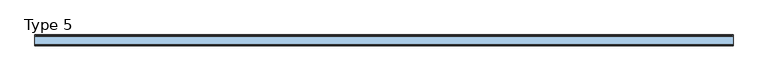
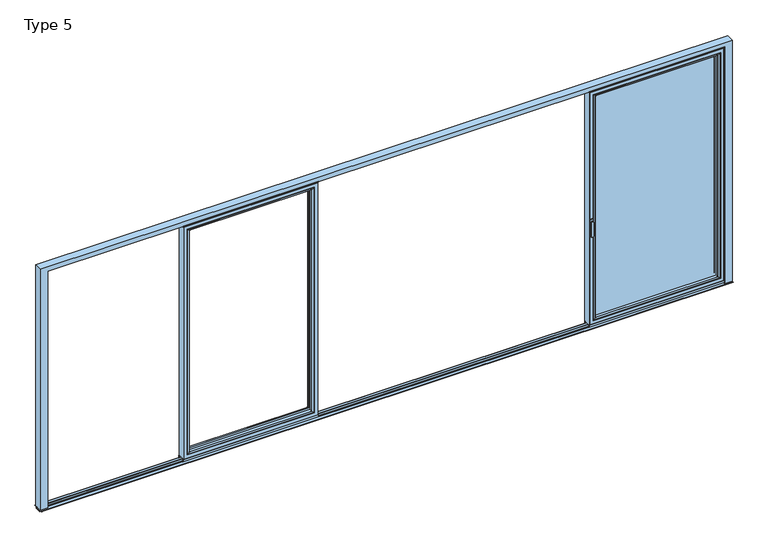
"""IFC4 building model written with IfcOpenShell, lengths in millimetres: window geometry, Type 5."""

from ifc_helpers import new_model, si_unit, point, frame, frame_2d, origin, place, context, project, spatial, polyline, circle_curve, ellipse_curve, trimmed, segment, composite_curve, outline, extrude, source, transform, mapped, element, save
from ifc_brep_helpers import plane_surface, cylinder_surface, extruded_surface, advanced_brep


def type_5_8c5b0dd2(model_context):
    return source(origin(), model_context, "Body", "SolidModel", [
        advanced_brep(
        [(-1841.2804272, -64.5552044, 2283.0004272), (-1841.2804272, -64.5552044, 91.4995728), (-1841.2804272, -37.9928974, 91.4995728), (-1841.2804272, -37.9928974, 2283.0004272), (-1863.28, -37.9928974, 2305.0), (-671.76, -37.9928974, 2305.0), (-671.76, -37.9928974, 69.5), (-1863.28, -37.9928974, 69.5), (-693.7595728, -37.9928974, 2283.0004272), (-693.7595728, -37.9928974, 91.4995728), (-693.7595728, -64.5552044, 91.4995728), (-1841.9899707, -65.8045072, 2283.7099707), (-1841.9899707, -65.8045072, 90.7900293), (-693.0500293, -65.8045072, 90.7900293), (-1857.280061, -70.0, 2299.000061), (-1857.280061, -70.0, 75.499939), (-677.759939, -70.0, 75.499939), (-671.76, -70.0, 2305.0), (-1863.28, -70.0, 2305.0), (-1863.28, -70.0, 69.5), (-671.76, -70.0, 69.5), (-677.759939, -70.0, 2299.000061), (-693.7595728, -64.5552044, 2283.0004272), (-693.0500293, -65.8045072, 2283.7099707)],
        [
            (0, 1),
            (1, 2),
            (2, 3),
            (3, 0),
            (4, 5),
            (5, 6),
            (6, 7),
            (7, 4),
            (8, 3),
            (2, 9),
            (9, 8),
            (1, 10),
            (10, 9),
            (11, 12),
            (12, 1, ellipse_curve(frame((-1842.7350312, -64.5552044, 90.0449688), z_axis=(-0.7071067811865475, 0.0, 0.7071067811865475), x_axis=(0.7071067811865474, 0.0, 0.7071067811865476)), 2.0571207, 1.454604)),
            (0, 11, ellipse_curve(frame((-1842.7350312, -64.5552044, 2284.4550312), z_axis=(-0.7071067811865475, 0.0, -0.7071067811865475), x_axis=(-0.7071067811865474, 0.0, 0.7071067811865476)), 2.0571207, 1.454604)),
            (12, 13),
            (13, 10, ellipse_curve(frame((-692.3049688, -64.5552044, 90.0449688), z_axis=(-0.7071067811865475, 0.0, -0.7071067811865475), x_axis=(-0.7071067811865476, 0.0, 0.7071067811865474)), 2.0571207, 1.454604)),
            (14, 15),
            (15, 12, ellipse_curve(frame((-1857.2161254, -40.2735922, 75.5638746), z_axis=(-0.7071067811865475, 0.0, 0.7071067811865475), x_axis=(0.7071067811865474, 0.0, 0.7071067811865476)), 42.0395863, 29.7264765)),
            (11, 14, ellipse_curve(frame((-1857.2161254, -40.2735922, 2298.9361254), z_axis=(-0.7071067811865475, 0.0, -0.7071067811865475), x_axis=(-0.7071067811865474, 0.0, 0.7071067811865476)), 42.0395863, 29.7264765)),
            (15, 16),
            (16, 13, ellipse_curve(frame((-677.8238746, -40.2735922, 75.5638746), z_axis=(-0.7071067811865475, 0.0, -0.7071067811865475), x_axis=(-0.7071067811865476, 0.0, 0.7071067811865474)), 42.0395863, 29.7264765)),
            (17, 18),
            (18, 19),
            (19, 20),
            (20, 17),
            (14, 21),
            (21, 16),
            (7, 19),
            (18, 4),
            (6, 20),
            (10, 22),
            (22, 8),
            (13, 23),
            (23, 22, ellipse_curve(frame((-692.3049688, -64.5552044, 2284.4550312), z_axis=(0.7071067811865475, 0.0, -0.7071067811865475), x_axis=(-0.7071067811865474, 0.0, -0.7071067811865476)), 2.0571207, 1.454604)),
            (21, 23, ellipse_curve(frame((-677.8238746, -40.2735922, 2298.9361254), z_axis=(0.7071067811865475, 0.0, -0.7071067811865475), x_axis=(-0.7071067811865474, 0.0, -0.7071067811865476)), 42.0395863, 29.7264765)),
            (5, 17),
            (22, 0),
            (23, 11),
        ],
        [
            plane_surface(frame((-1841.2804272, -37.9928974, 2283.0004272), z_axis=(1.0, 0.0, 0.0), x_axis=(0.0, 0.0, -1.0))),
            plane_surface(frame((-671.76, -37.9928974, 69.5), z_axis=(0.0, 1.0, 0.0), x_axis=(0.0, 0.0, 1.0))),
            plane_surface(frame((-1841.2804272, -37.9928974, 91.4995728), z_axis=(0.0, 0.0, 1.0), x_axis=(1.0, 0.0, 0.0))),
            cylinder_surface(frame((-1842.7350312, -64.5552044, 2283.0004272), z_axis=(0.0, 0.0, 1.0), x_axis=(-1.0, 0.0, 0.0)), 1.454604),
            cylinder_surface(frame((-1841.2804272, -64.5552044, 90.0449688), z_axis=(-1.0, 0.0, 0.0), x_axis=(0.0, 0.0, -1.0)), 1.454604),
            cylinder_surface(frame((-1857.2161254, -40.2735922, 2283.0004272), z_axis=(0.0, 0.0, 1.0), x_axis=(-1.0, 0.0, 0.0)), 29.7264765),
            cylinder_surface(frame((-1841.2804272, -40.2735922, 75.5638746), z_axis=(-1.0, 0.0, 0.0), x_axis=(0.0, 0.0, -1.0)), 29.7264765),
            plane_surface(frame((-677.759939, -70.0, 75.499939), z_axis=(0.0, -1.0, 0.0), x_axis=(0.0, 0.0, 1.0))),
            plane_surface(frame((-1863.28, -70.0, 2305.0), z_axis=(-1.0, 0.0, 0.0), x_axis=(0.0, 0.0, -1.0))),
            plane_surface(frame((-1863.28, -70.0, 69.5), z_axis=(0.0, 0.0, -1.0), x_axis=(1.0, 0.0, 0.0))),
            plane_surface(frame((-693.7595728, -37.9928974, 91.4995728), z_axis=(-1.0, 0.0, 0.0), x_axis=(0.0, 0.0, 1.0))),
            cylinder_surface(frame((-692.3049688, -64.5552044, 91.4995728), z_axis=(0.0, 0.0, -1.0), x_axis=(1.0, 0.0, 0.0)), 1.454604),
            cylinder_surface(frame((-677.8238746, -40.2735922, 91.4995728), z_axis=(0.0, 0.0, -1.0), x_axis=(1.0, 0.0, 0.0)), 29.7264765),
            plane_surface(frame((-671.76, -70.0, 69.5), z_axis=(1.0, 0.0, 0.0), x_axis=(0.0, 0.0, 1.0))),
            plane_surface(frame((-693.7595728, -37.9928974, 2283.0004272), z_axis=(0.0, 0.0, -1.0), x_axis=(-1.0, 0.0, 0.0))),
            cylinder_surface(frame((-693.7595728, -64.5552044, 2284.4550312), z_axis=(1.0, 0.0, 0.0), x_axis=(0.0, 0.0, 1.0)), 1.454604),
            cylinder_surface(frame((-693.7595728, -40.2735922, 2298.9361254), z_axis=(1.0, 0.0, 0.0), x_axis=(0.0, 0.0, 1.0)), 29.7264765),
            plane_surface(frame((-671.76, -70.0, 2305.0), z_axis=(0.0, 0.0, 1.0), x_axis=(-1.0, 0.0, 0.0))),
        ],
        [
            (0, [[1, 2, 3, 4]]),
            (1, [[5, 6, 7, 8], [9, -3, 10, 11]]),
            (2, [[12, 13, -10, -2]]),
            (3, [[14, 15, -1, 16]]),
            (4, [[17, 18, -12, -15]]),
            (5, [[19, 20, -14, 21]]),
            (6, [[22, 23, -17, -20]]),
            (7, [[24, 25, 26, 27], [28, 29, -22, -19]]),
            (8, [[-8, 30, -25, 31]]),
            (9, [[-7, 32, -26, -30]]),
            (10, [[33, 34, -11, -13]]),
            (11, [[35, 36, -33, -18]]),
            (12, [[-29, 37, -35, -23]]),
            (13, [[-6, 38, -27, -32]]),
            (14, [[39, -4, -9, -34]]),
            (15, [[40, -16, -39, -36]]),
            (16, [[-28, -21, -40, -37]]),
            (17, [[-5, -31, -24, -38]]),
        ],
    ),
        advanced_brep(
        [(-639.76, -70.0, 2337.0), (-639.76, -70.0, 37.5), (-639.76, 0.0, 37.5), (-639.76, 0.0, 2337.0), (-1895.28, -70.0, 37.5), (-1895.28, 0.0, 37.5), (-1895.28, 0.0, 2337.0), (-1845.7808099, 0.0, 86.9991901), (-689.2591901, 0.0, 86.9991901), (-689.2591901, 0.0, 2287.5008099), (-1845.7808099, 0.0, 2287.5008099), (-1895.28, -70.0, 2337.0), (-671.76, -70.0, 69.5), (-1863.28, -70.0, 69.5), (-1863.28, -70.0, 2305.0), (-671.76, -70.0, 2305.0), (-671.76, -13.999939, 2305.0), (-671.76, -13.999939, 69.5), (-1863.28, -13.999939, 69.5), (-1863.28, -13.999939, 2305.0), (-693.7595728, -13.999939, 91.4995728), (-1841.2804272, -13.999939, 91.4995728), (-1841.2804272, -13.999939, 2283.0004272), (-693.7595728, -13.999939, 2283.0004272), (-693.7595728, -4.5004435, 2283.0004272), (-693.7595728, -4.5004435, 91.4995728), (-1841.2804272, -4.5004435, 91.4995728), (-1841.2804272, -4.5004435, 2283.0004272)],
        [
            (0, 1),
            (1, 2),
            (2, 3),
            (3, 0),
            (1, 4),
            (4, 5),
            (5, 2),
            (5, 6),
            (6, 3),
            (7, 8),
            (8, 9),
            (9, 10),
            (10, 7),
            (4, 11),
            (11, 6),
            (0, 11),
            (12, 13),
            (13, 14),
            (14, 15),
            (15, 12),
            (16, 17),
            (17, 12),
            (15, 16),
            (17, 18),
            (18, 13),
            (18, 19),
            (19, 14),
            (16, 19),
            (20, 21),
            (21, 22),
            (22, 23),
            (23, 20),
            (24, 25),
            (25, 20),
            (23, 24),
            (25, 26),
            (26, 21),
            (26, 27),
            (27, 22),
            (7, 26, ellipse_curve(frame((-1845.7808099, -4.5004435, 86.9991901), z_axis=(0.7071067811865475, 0.0, -0.7071067811865475), x_axis=(0.7071067811865476, 0.0, 0.7071067811865474)), 6.3645023, 4.5003827)),
            (25, 8, ellipse_curve(frame((-689.2591901, -4.5004435, 86.9991901), z_axis=(-0.7071067811865475, 0.0, -0.7071067811865475), x_axis=(0.7071067811865476, 0.0, -0.7071067811865474)), 6.3645023, 4.5003827)),
            (24, 9, ellipse_curve(frame((-689.2591901, -4.5004435, 2287.5008099), z_axis=(0.7071067811865475, 0.0, -0.7071067811865475), x_axis=(0.7071067811865474, 0.0, 0.7071067811865476)), 6.3645023, 4.5003827)),
            (10, 27, ellipse_curve(frame((-1845.7808099, -4.5004435, 2287.5008099), z_axis=(-0.7071067811865475, 0.0, -0.7071067811865475), x_axis=(0.7071067811865474, 0.0, -0.7071067811865476)), 6.3645023, 4.5003827)),
            (27, 24),
        ],
        [
            plane_surface(frame((-639.76, 0.0, 2337.0), z_axis=(1.0, 0.0, 0.0), x_axis=(0.0, 0.0, -1.0))),
            plane_surface(frame((-639.76, 0.0, 37.5), z_axis=(0.0, 0.0, -1.0), x_axis=(-1.0, 0.0, 0.0))),
            plane_surface(frame((-689.2591901, 0.0, 2287.5008099), z_axis=(0.0, 1.0, 0.0), x_axis=(0.0, 0.0, -1.0))),
            plane_surface(frame((-1895.28, 0.0, 37.5), z_axis=(-1.0, 0.0, 0.0), x_axis=(0.0, 0.0, 1.0))),
            plane_surface(frame((-639.76, -70.0, 2337.0), z_axis=(0.0, -1.0, 0.0), x_axis=(0.0, 0.0, -1.0))),
            plane_surface(frame((-671.76, -70.0, 2305.0), z_axis=(-1.0, 0.0, 0.0), x_axis=(0.0, 0.0, -1.0))),
            plane_surface(frame((-671.76, -70.0, 69.5), z_axis=(0.0, 0.0, 1.0), x_axis=(-1.0, 0.0, 0.0))),
            plane_surface(frame((-1863.28, -70.0, 69.5), z_axis=(1.0, 0.0, 0.0), x_axis=(0.0, 0.0, 1.0))),
            plane_surface(frame((-671.76, -13.999939, 2305.0), z_axis=(0.0, -1.0, 0.0), x_axis=(0.0, 0.0, -1.0))),
            plane_surface(frame((-693.7595728, -13.999939, 2283.0004272), z_axis=(-1.0, 0.0, 0.0), x_axis=(0.0, 0.0, -1.0))),
            plane_surface(frame((-693.7595728, -13.999939, 91.4995728), z_axis=(0.0, 0.0, 1.0), x_axis=(-1.0, 0.0, 0.0))),
            plane_surface(frame((-1841.2804272, -13.999939, 91.4995728), z_axis=(1.0, 0.0, 0.0), x_axis=(0.0, 0.0, 1.0))),
            cylinder_surface(frame((-633.76, -4.5004435, 86.9991901), z_axis=(1.0, 0.0, 0.0), x_axis=(0.0, -1.0, 0.0)), 4.5003827),
            cylinder_surface(frame((-689.2591901, -4.5004435, 2343.0), z_axis=(0.0, 0.0, 1.0), x_axis=(0.0, -1.0, 0.0)), 4.5003827),
            cylinder_surface(frame((-1845.7808099, -4.5004435, 31.5), z_axis=(0.0, 0.0, -1.0), x_axis=(0.0, -1.0, 0.0)), 4.5003827),
            plane_surface(frame((-1895.28, 0.0, 2337.0), z_axis=(0.0, 0.0, 1.0), x_axis=(1.0, 0.0, 0.0))),
            plane_surface(frame((-1863.28, -70.0, 2305.0), z_axis=(0.0, 0.0, -1.0), x_axis=(1.0, 0.0, 0.0))),
            plane_surface(frame((-1841.2804272, -13.999939, 2283.0004272), z_axis=(0.0, 0.0, -1.0), x_axis=(1.0, 0.0, 0.0))),
            cylinder_surface(frame((-1901.28, -4.5004435, 2287.5008099), z_axis=(-1.0, 0.0, 0.0), x_axis=(0.0, -1.0, 0.0)), 4.5003827),
        ],
        [
            (0, [[1, 2, 3, 4]]),
            (1, [[5, 6, 7, -2]]),
            (2, [[-7, 8, 9, -3], [10, 11, 12, 13]]),
            (3, [[14, 15, -8, -6]]),
            (4, [[-5, -1, 16, -14], [17, 18, 19, 20]]),
            (5, [[21, 22, -20, 23]]),
            (6, [[24, 25, -17, -22]]),
            (7, [[26, 27, -18, -25]]),
            (8, [[-24, -21, 28, -26], [29, 30, 31, 32]]),
            (9, [[33, 34, -32, 35]]),
            (10, [[36, 37, -29, -34]]),
            (11, [[38, 39, -30, -37]]),
            (12, [[-10, 40, -36, 41]]),
            (13, [[-11, -41, -33, 42]]),
            (14, [[-13, 43, -38, -40]]),
            (15, [[-16, -4, -9, -15]]),
            (16, [[-28, -23, -19, -27]]),
            (17, [[44, -35, -31, -39]]),
            (18, [[-12, -42, -44, -43]]),
        ],
    ),
        extrude(outline(polyline([(-633.76, -7.6000076), (-1901.28, -7.6000076), (-1901.28, 0.0), (-633.76, 0.0), (-633.76, -7.6000076)])), frame((0.0, 0.0, 15.4995117), z_axis=(0.0, 0.0, 1.0), x_axis=(1.0, 0.0, 0.0)), (0.0, 0.0, 1.0), 22.0004883),
        extrude(outline(polyline([(-633.76, -70.0), (-1901.28, -70.0), (-1901.28, -62.2757497), (-633.76, -62.2757497), (-633.76, -70.0)])), frame((0.0, 0.0, 15.4995117), z_axis=(0.0, 0.0, 1.0), x_axis=(1.0, 0.0, 0.0)), (0.0, 0.0, 1.0), 22.0004883),
        extrude(outline(composite_curve([segment(polyline([(-52.044326, 2339.1400778), (-52.044326, 2337.0), (-70.0, 2337.0), (-71.8735116, 2343.9547971)]), True, "CONTINUOUS"), segment(trimmed(circle_curve(frame_2d((-69.9423544, 2344.4750201)), 2.0), [point((-71.8735116, 2343.9547971))], [point((-71.8738669, 2344.9939222))], False, "CARTESIAN"), True, "CONTINUOUS"), segment(polyline([(-71.8738669, 2344.9939222), (-70.8937897, 2348.6420698), (-70.0, 2348.6420698), (-70.0, 2342.963961), (-68.6363596, 2339.1400778), (-52.044326, 2339.1400778)]), True, "CONTINUOUS")], self_intersect=False)), frame((-1901.28, 0.0, 0.0), z_axis=(1.0, 0.0, 0.0), x_axis=(0.0, 1.0, 0.0)), (0.0, 0.0, 1.0), 1267.52),
        advanced_brep(
        [(1935.2686308, -73.5, 1050.0), (1911.2913692, -73.5, 1050.0), (1935.2686308, -76.8965533, 1050.0), (1911.2913692, -76.8965533, 1050.0), (1935.2686308, -84.5, 1050.0), (1911.2913692, -84.5, 1050.0), (1911.2913692, -84.5, 918.6867153), (1935.2686308, -84.5, 918.6867153), (1935.2686308, -76.8965533, 918.6867153), (1911.2913692, -76.8965533, 918.6867153)],
        [
            (0, 1, circle_curve(frame((1923.28, -73.5, 1050.0), z_axis=(0.0, 1.0, 0.0), x_axis=(-1.0, 0.0, 0.0)), 11.9886308)),
            (1, 0, circle_curve(frame((1923.28, -73.5, 1050.0), z_axis=(0.0, 1.0, 0.0), x_axis=(-1.0, 0.0, 0.0)), 11.9886308)),
            (0, 2),
            (2, 3, circle_curve(frame((1923.28, -76.8965533, 1050.0), z_axis=(0.0, 1.0, 0.0), x_axis=(-1.0, 0.0, 0.0)), 11.9886308)),
            (3, 1),
            (3, 2, circle_curve(frame((1923.28, -76.8965533, 1050.0), z_axis=(0.0, 1.0, 0.0), x_axis=(-1.0, 0.0, 0.0)), 11.9886308)),
            (4, 5, circle_curve(frame((1923.28, -84.5, 1050.0), z_axis=(0.0, -1.0, 0.0), x_axis=(-1.0, 0.0, 0.0)), 11.9886308)),
            (5, 6),
            (6, 7, ellipse_curve(frame((1923.28, -84.5, 918.6867153), z_axis=(0.0, -1.0, 0.0), x_axis=(1.0, 0.0, 0.0)), 11.9886308, 7.9050795)),
            (7, 4),
            (2, 8),
            (8, 9, ellipse_curve(frame((1923.28, -76.8965533, 918.6867153), z_axis=(0.0, 1.0, 0.0), x_axis=(1.0, 0.0, 0.0)), 11.9886308, 7.9050795)),
            (9, 3),
            (7, 8),
            (2, 4),
            (6, 9),
            (5, 3),
        ],
        [
            plane_surface(frame((1911.2913692, -73.5, 1050.0), z_axis=(0.0, 1.0, 0.0), x_axis=(0.0, 0.0, -1.0))),
            cylinder_surface(frame((1923.28, -73.5, 1050.0), z_axis=(0.0, -1.0, 0.0), x_axis=(-1.0, 0.0, 0.0)), 11.9886308),
            plane_surface(frame((1935.2686308, -84.5, 928.3382074), z_axis=(0.0, -1.0, 0.0), x_axis=(0.0, 0.0, -1.0))),
            plane_surface(frame((1935.2686308, -76.8965533, 928.3382074), z_axis=(0.0, 1.0, 0.0), x_axis=(0.0, 0.0, 1.0))),
            plane_surface(frame((1935.2686308, -84.5, 1050.0), z_axis=(1.0, 0.0, 0.0), x_axis=(0.0, 1.0, 0.0))),
            extruded_surface(trimmed(ellipse_curve(frame((1923.28, -76.8965533, 918.6867153), z_axis=(0.0, 1.0, 0.0), x_axis=(1.0, 0.0, 0.0)), 11.9886308, 7.9050795), [point((1935.2686308, -76.8965533, 918.6867153))], [point((1911.2913692, -76.8965533, 918.6867153))], True, "CARTESIAN"), (0.0, 7.603446699999992, 0.0), 7.603446699999992),
            plane_surface(frame((1911.2913692, -84.5, 918.6867153), z_axis=(-1.0, 0.0, 0.0), x_axis=(0.0, 1.0, 0.0))),
            cylinder_surface(frame((1923.28, -76.8965533, 1050.0), z_axis=(0.0, -1.0, 0.0), x_axis=(-1.0, 0.0, 0.0)), 11.9886308),
        ],
        [
            (0, [[1, 2]]),
            (1, [[3, 4, 5, -1]]),
            (1, [[-5, 6, -3, -2]]),
            (2, [[7, 8, 9, 10]]),
            (3, [[-4, 11, 12, 13]]),
            (4, [[14, -11, 15, -10]]),
            (5, [[16, -12, -14, -9]]),
            (6, [[17, -13, -16, -8]]),
            (7, [[-15, -6, -17, -7]]),
        ],
    ),
        extrude(outline(composite_curve([segment(trimmed(circle_curve(frame_2d((1068.75, 1923.28)), 14.0), [point((1068.75, 1937.28))], [point((1068.75, 1909.28))], False, "CARTESIAN"), True, "CONTINUOUS"), segment(polyline([(1068.75, 1909.28), (1031.25, 1909.28)]), True, "CONTINUOUS"), segment(trimmed(circle_curve(frame_2d((1031.25, 1923.28)), 14.0), [point((1031.25, 1909.28))], [point((1031.25, 1937.28))], False, "CARTESIAN"), True, "CONTINUOUS"), segment(polyline([(1031.25, 1937.28), (1068.75, 1937.28)]), True, "CONTINUOUS")], self_intersect=False)), frame((0.0, -73.5, 0.0), z_axis=(0.0, 1.0, 0.0), x_axis=(0.0, 0.0, 1.0)), (0.0, 0.0, 1.0), 3.5),
        extrude(outline(polyline([(3168.8, 0.0), (3168.8, -70.0), (3162.8, -70.0), (3162.8, 0.0), (3168.8, 0.0)])), frame((0.0, 0.0, 37.5), z_axis=(0.0, 0.0, 1.0), x_axis=(1.0, 0.0, 0.0)), (0.0, 0.0, 1.0), 2299.5),
        extrude(outline(polyline([(1901.28, 0.0), (1907.28, 0.0), (1907.28, -70.0), (1901.28, -70.0), (1901.28, 0.0)])), frame((0.0, 0.0, 37.5), z_axis=(0.0, 0.0, 1.0), x_axis=(1.0, 0.0, 0.0)), (0.0, 0.0, 1.0), 2299.5),
        extrude(outline(polyline([(3130.8, -13.999939), (3130.8, -37.9928974), (1939.28, -37.9928974), (1939.28, -13.999939), (3130.8, -13.999939)])), frame((0.0, 0.0, 69.5), z_axis=(0.0, 0.0, 1.0), x_axis=(1.0, 0.0, 0.0)), (0.0, 0.0, 1.0), 2235.5),
        advanced_brep(
        [(1961.2795728, -64.5552044, 2283.0004272), (1961.2795728, -64.5552044, 91.4995728), (1961.2795728, -37.9928974, 91.4995728), (1961.2795728, -37.9928974, 2283.0004272), (1939.28, -37.9928974, 2305.0), (3130.8, -37.9928974, 2305.0), (3130.8, -37.9928974, 69.5), (1939.28, -37.9928974, 69.5), (3108.8004272, -37.9928974, 2283.0004272), (3108.8004272, -37.9928974, 91.4995728), (3108.8004272, -64.5552044, 91.4995728), (1960.5700293, -65.8045072, 2283.7099707), (1960.5700293, -65.8045072, 90.7900293), (3109.5099707, -65.8045072, 90.7900293), (1945.279939, -70.0, 2299.000061), (1945.279939, -70.0, 75.499939), (3124.800061, -70.0, 75.499939), (3130.8, -70.0, 2305.0), (1939.28, -70.0, 2305.0), (1939.28, -70.0, 69.5), (3130.8, -70.0, 69.5), (3124.800061, -70.0, 2299.000061), (3108.8004272, -64.5552044, 2283.0004272), (3109.5099707, -65.8045072, 2283.7099707)],
        [
            (0, 1),
            (1, 2),
            (2, 3),
            (3, 0),
            (4, 5),
            (5, 6),
            (6, 7),
            (7, 4),
            (8, 3),
            (2, 9),
            (9, 8),
            (1, 10),
            (10, 9),
            (11, 12),
            (12, 1, ellipse_curve(frame((1959.8249688, -64.5552044, 90.0449688), z_axis=(-0.7071067811865475, 0.0, 0.7071067811865475), x_axis=(0.7071067811865474, 0.0, 0.7071067811865476)), 2.0571207, 1.454604)),
            (0, 11, ellipse_curve(frame((1959.8249688, -64.5552044, 2284.4550312), z_axis=(-0.7071067811865475, 0.0, -0.7071067811865475), x_axis=(-0.7071067811865474, 0.0, 0.7071067811865476)), 2.0571207, 1.454604)),
            (12, 13),
            (13, 10, ellipse_curve(frame((3110.2550312, -64.5552044, 90.0449688), z_axis=(-0.7071067811865475, 0.0, -0.7071067811865475), x_axis=(-0.7071067811865476, 0.0, 0.7071067811865474)), 2.0571207, 1.454604)),
            (14, 15),
            (15, 12, ellipse_curve(frame((1945.3438746, -40.2735922, 75.5638746), z_axis=(-0.7071067811865475, 0.0, 0.7071067811865475), x_axis=(0.7071067811865474, 0.0, 0.7071067811865476)), 42.0395863, 29.7264765)),
            (11, 14, ellipse_curve(frame((1945.3438746, -40.2735922, 2298.9361254), z_axis=(-0.7071067811865475, 0.0, -0.7071067811865475), x_axis=(-0.7071067811865474, 0.0, 0.7071067811865476)), 42.0395863, 29.7264765)),
            (15, 16),
            (16, 13, ellipse_curve(frame((3124.7361254, -40.2735922, 75.5638746), z_axis=(-0.7071067811865475, 0.0, -0.7071067811865475), x_axis=(-0.7071067811865476, 0.0, 0.7071067811865474)), 42.0395863, 29.7264765)),
            (17, 18),
            (18, 19),
            (19, 20),
            (20, 17),
            (14, 21),
            (21, 16),
            (7, 19),
            (18, 4),
            (6, 20),
            (10, 22),
            (22, 8),
            (13, 23),
            (23, 22, ellipse_curve(frame((3110.2550312, -64.5552044, 2284.4550312), z_axis=(0.7071067811865475, 0.0, -0.7071067811865475), x_axis=(-0.7071067811865474, 0.0, -0.7071067811865476)), 2.0571207, 1.454604)),
            (21, 23, ellipse_curve(frame((3124.7361254, -40.2735922, 2298.9361254), z_axis=(0.7071067811865475, 0.0, -0.7071067811865475), x_axis=(-0.7071067811865474, 0.0, -0.7071067811865476)), 42.0395863, 29.7264765)),
            (5, 17),
            (22, 0),
            (23, 11),
        ],
        [
            plane_surface(frame((1961.2795728, -37.9928974, 2283.0004272), z_axis=(1.0, 0.0, 0.0), x_axis=(0.0, 0.0, -1.0))),
            plane_surface(frame((3130.8, -37.9928974, 69.5), z_axis=(0.0, 1.0, 0.0), x_axis=(0.0, 0.0, 1.0))),
            plane_surface(frame((1961.2795728, -37.9928974, 91.4995728), z_axis=(0.0, 0.0, 1.0), x_axis=(1.0, 0.0, 0.0))),
            cylinder_surface(frame((1959.8249688, -64.5552044, 2283.0004272), z_axis=(0.0, 0.0, 1.0), x_axis=(-1.0, 0.0, 0.0)), 1.454604),
            cylinder_surface(frame((1961.2795728, -64.5552044, 90.0449688), z_axis=(-1.0, 0.0, 0.0), x_axis=(0.0, 0.0, -1.0)), 1.454604),
            cylinder_surface(frame((1945.3438746, -40.2735922, 2283.0004272), z_axis=(0.0, 0.0, 1.0), x_axis=(-1.0, 0.0, 0.0)), 29.7264765),
            cylinder_surface(frame((1961.2795728, -40.2735922, 75.5638746), z_axis=(-1.0, 0.0, 0.0), x_axis=(0.0, 0.0, -1.0)), 29.7264765),
            plane_surface(frame((3124.800061, -70.0, 75.499939), z_axis=(0.0, -1.0, 0.0), x_axis=(0.0, 0.0, 1.0))),
            plane_surface(frame((1939.28, -70.0, 2305.0), z_axis=(-1.0, 0.0, 0.0), x_axis=(0.0, 0.0, -1.0))),
            plane_surface(frame((1939.28, -70.0, 69.5), z_axis=(0.0, 0.0, -1.0), x_axis=(1.0, 0.0, 0.0))),
            plane_surface(frame((3108.8004272, -37.9928974, 91.4995728), z_axis=(-1.0, 0.0, 0.0), x_axis=(0.0, 0.0, 1.0))),
            cylinder_surface(frame((3110.2550312, -64.5552044, 91.4995728), z_axis=(0.0, 0.0, -1.0), x_axis=(1.0, 0.0, 0.0)), 1.454604),
            cylinder_surface(frame((3124.7361254, -40.2735922, 91.4995728), z_axis=(0.0, 0.0, -1.0), x_axis=(1.0, 0.0, 0.0)), 29.7264765),
            plane_surface(frame((3130.8, -70.0, 69.5), z_axis=(1.0, 0.0, 0.0), x_axis=(0.0, 0.0, 1.0))),
            plane_surface(frame((3108.8004272, -37.9928974, 2283.0004272), z_axis=(0.0, 0.0, -1.0), x_axis=(-1.0, 0.0, 0.0))),
            cylinder_surface(frame((3108.8004272, -64.5552044, 2284.4550312), z_axis=(1.0, 0.0, 0.0), x_axis=(0.0, 0.0, 1.0)), 1.454604),
            cylinder_surface(frame((3108.8004272, -40.2735922, 2298.9361254), z_axis=(1.0, 0.0, 0.0), x_axis=(0.0, 0.0, 1.0)), 29.7264765),
            plane_surface(frame((3130.8, -70.0, 2305.0), z_axis=(0.0, 0.0, 1.0), x_axis=(-1.0, 0.0, 0.0))),
        ],
        [
            (0, [[1, 2, 3, 4]]),
            (1, [[5, 6, 7, 8], [9, -3, 10, 11]]),
            (2, [[12, 13, -10, -2]]),
            (3, [[14, 15, -1, 16]]),
            (4, [[17, 18, -12, -15]]),
            (5, [[19, 20, -14, 21]]),
            (6, [[22, 23, -17, -20]]),
            (7, [[24, 25, 26, 27], [28, 29, -22, -19]]),
            (8, [[-8, 30, -25, 31]]),
            (9, [[-7, 32, -26, -30]]),
            (10, [[33, 34, -11, -13]]),
            (11, [[35, 36, -33, -18]]),
            (12, [[-29, 37, -35, -23]]),
            (13, [[-6, 38, -27, -32]]),
            (14, [[39, -4, -9, -34]]),
            (15, [[40, -16, -39, -36]]),
            (16, [[-28, -21, -40, -37]]),
            (17, [[-5, -31, -24, -38]]),
        ],
    ),
        advanced_brep(
        [(3162.8, -70.0, 2337.0), (3162.8, -70.0, 37.5), (3162.8, 0.0, 37.5), (3162.8, 0.0, 2337.0), (1907.28, -70.0, 37.5), (1907.28, 0.0, 37.5), (1907.28, 0.0, 2337.0), (1956.7791901, 0.0, 86.9991901), (3113.3008099, 0.0, 86.9991901), (3113.3008099, 0.0, 2287.5008099), (1956.7791901, 0.0, 2287.5008099), (1907.28, -70.0, 2337.0), (3130.8, -70.0, 69.5), (1939.28, -70.0, 69.5), (1939.28, -70.0, 2305.0), (3130.8, -70.0, 2305.0), (3130.8, -13.999939, 2305.0), (3130.8, -13.999939, 69.5), (1939.28, -13.999939, 69.5), (1939.28, -13.999939, 2305.0), (3108.8004272, -13.999939, 91.4995728), (1961.2795728, -13.999939, 91.4995728), (1961.2795728, -13.999939, 2283.0004272), (3108.8004272, -13.999939, 2283.0004272), (3108.8004272, -4.5004435, 2283.0004272), (3108.8004272, -4.5004435, 91.4995728), (1961.2795728, -4.5004435, 91.4995728), (1961.2795728, -4.5004435, 2283.0004272)],
        [
            (0, 1),
            (1, 2),
            (2, 3),
            (3, 0),
            (1, 4),
            (4, 5),
            (5, 2),
            (5, 6),
            (6, 3),
            (7, 8),
            (8, 9),
            (9, 10),
            (10, 7),
            (4, 11),
            (11, 6),
            (0, 11),
            (12, 13),
            (13, 14),
            (14, 15),
            (15, 12),
            (16, 17),
            (17, 12),
            (15, 16),
            (17, 18),
            (18, 13),
            (18, 19),
            (19, 14),
            (16, 19),
            (20, 21),
            (21, 22),
            (22, 23),
            (23, 20),
            (24, 25),
            (25, 20),
            (23, 24),
            (25, 26),
            (26, 21),
            (26, 27),
            (27, 22),
            (7, 26, ellipse_curve(frame((1956.7791901, -4.5004435, 86.9991901), z_axis=(0.7071067811865475, 0.0, -0.7071067811865475), x_axis=(0.7071067811865476, 0.0, 0.7071067811865474)), 6.3645023, 4.5003827)),
            (25, 8, ellipse_curve(frame((3113.3008099, -4.5004435, 86.9991901), z_axis=(-0.7071067811865475, 0.0, -0.7071067811865475), x_axis=(0.7071067811865476, 0.0, -0.7071067811865474)), 6.3645023, 4.5003827)),
            (24, 9, ellipse_curve(frame((3113.3008099, -4.5004435, 2287.5008099), z_axis=(0.7071067811865475, 0.0, -0.7071067811865475), x_axis=(0.7071067811865474, 0.0, 0.7071067811865476)), 6.3645023, 4.5003827)),
            (10, 27, ellipse_curve(frame((1956.7791901, -4.5004435, 2287.5008099), z_axis=(-0.7071067811865475, 0.0, -0.7071067811865475), x_axis=(0.7071067811865474, 0.0, -0.7071067811865476)), 6.3645023, 4.5003827)),
            (27, 24),
        ],
        [
            plane_surface(frame((3162.8, 0.0, 2337.0), z_axis=(1.0, 0.0, 0.0), x_axis=(0.0, 0.0, -1.0))),
            plane_surface(frame((3162.8, 0.0, 37.5), z_axis=(0.0, 0.0, -1.0), x_axis=(-1.0, 0.0, 0.0))),
            plane_surface(frame((3113.3008099, 0.0, 2287.5008099), z_axis=(0.0, 1.0, 0.0), x_axis=(0.0, 0.0, -1.0))),
            plane_surface(frame((1907.28, 0.0, 37.5), z_axis=(-1.0, 0.0, 0.0), x_axis=(0.0, 0.0, 1.0))),
            plane_surface(frame((3162.8, -70.0, 2337.0), z_axis=(0.0, -1.0, 0.0), x_axis=(0.0, 0.0, -1.0))),
            plane_surface(frame((3130.8, -70.0, 2305.0), z_axis=(-1.0, 0.0, 0.0), x_axis=(0.0, 0.0, -1.0))),
            plane_surface(frame((3130.8, -70.0, 69.5), z_axis=(0.0, 0.0, 1.0), x_axis=(-1.0, 0.0, 0.0))),
            plane_surface(frame((1939.28, -70.0, 69.5), z_axis=(1.0, 0.0, 0.0), x_axis=(0.0, 0.0, 1.0))),
            plane_surface(frame((3130.8, -13.999939, 2305.0), z_axis=(0.0, -1.0, 0.0), x_axis=(0.0, 0.0, -1.0))),
            plane_surface(frame((3108.8004272, -13.999939, 2283.0004272), z_axis=(-1.0, 0.0, 0.0), x_axis=(0.0, 0.0, -1.0))),
            plane_surface(frame((3108.8004272, -13.999939, 91.4995728), z_axis=(0.0, 0.0, 1.0), x_axis=(-1.0, 0.0, 0.0))),
            plane_surface(frame((1961.2795728, -13.999939, 91.4995728), z_axis=(1.0, 0.0, 0.0), x_axis=(0.0, 0.0, 1.0))),
            cylinder_surface(frame((3168.8, -4.5004435, 86.9991901), z_axis=(1.0, 0.0, 0.0), x_axis=(0.0, -1.0, 0.0)), 4.5003827),
            cylinder_surface(frame((3113.3008099, -4.5004435, 2343.0), z_axis=(0.0, 0.0, 1.0), x_axis=(0.0, -1.0, 0.0)), 4.5003827),
            cylinder_surface(frame((1956.7791901, -4.5004435, 31.5), z_axis=(0.0, 0.0, -1.0), x_axis=(0.0, -1.0, 0.0)), 4.5003827),
            plane_surface(frame((1907.28, 0.0, 2337.0), z_axis=(0.0, 0.0, 1.0), x_axis=(1.0, 0.0, 0.0))),
            plane_surface(frame((1939.28, -70.0, 2305.0), z_axis=(0.0, 0.0, -1.0), x_axis=(1.0, 0.0, 0.0))),
            plane_surface(frame((1961.2795728, -13.999939, 2283.0004272), z_axis=(0.0, 0.0, -1.0), x_axis=(1.0, 0.0, 0.0))),
            cylinder_surface(frame((1901.28, -4.5004435, 2287.5008099), z_axis=(-1.0, 0.0, 0.0), x_axis=(0.0, -1.0, 0.0)), 4.5003827),
        ],
        [
            (0, [[1, 2, 3, 4]]),
            (1, [[5, 6, 7, -2]]),
            (2, [[-7, 8, 9, -3], [10, 11, 12, 13]]),
            (3, [[14, 15, -8, -6]]),
            (4, [[-5, -1, 16, -14], [17, 18, 19, 20]]),
            (5, [[21, 22, -20, 23]]),
            (6, [[24, 25, -17, -22]]),
            (7, [[26, 27, -18, -25]]),
            (8, [[-24, -21, 28, -26], [29, 30, 31, 32]]),
            (9, [[33, 34, -32, 35]]),
            (10, [[36, 37, -29, -34]]),
            (11, [[38, 39, -30, -37]]),
            (12, [[-10, 40, -36, 41]]),
            (13, [[-11, -41, -33, 42]]),
            (14, [[-13, 43, -38, -40]]),
            (15, [[-16, -4, -9, -15]]),
            (16, [[-28, -23, -19, -27]]),
            (17, [[44, -35, -31, -39]]),
            (18, [[-12, -42, -44, -43]]),
        ],
    ),
        extrude(outline(polyline([(3168.8, -7.6000076), (1901.28, -7.6000076), (1901.28, 0.0), (3168.8, 0.0), (3168.8, -7.6000076)])), frame((0.0, 0.0, 15.4995117), z_axis=(0.0, 0.0, 1.0), x_axis=(1.0, 0.0, 0.0)), (0.0, 0.0, 1.0), 22.0004883),
        extrude(outline(polyline([(3168.8, -70.0), (1901.28, -70.0), (1901.28, -62.2757497), (3168.8, -62.2757497), (3168.8, -70.0)])), frame((0.0, 0.0, 15.4995117), z_axis=(0.0, 0.0, 1.0), x_axis=(1.0, 0.0, 0.0)), (0.0, 0.0, 1.0), 22.0004883),
        extrude(outline(composite_curve([segment(polyline([(-52.044326, 2339.1400778), (-52.044326, 2337.0), (-70.0, 2337.0), (-71.8735116, 2343.9547971)]), True, "CONTINUOUS"), segment(trimmed(circle_curve(frame_2d((-69.9423544, 2344.4750201)), 2.0), [point((-71.8735116, 2343.9547971))], [point((-71.8738669, 2344.9939222))], False, "CARTESIAN"), True, "CONTINUOUS"), segment(polyline([(-71.8738669, 2344.9939222), (-70.8937897, 2348.6420698), (-70.0, 2348.6420698), (-70.0, 2342.963961), (-68.6363596, 2339.1400778), (-52.044326, 2339.1400778)]), True, "CONTINUOUS")], self_intersect=False)), frame((1901.28, 0.0, 0.0), z_axis=(1.0, 0.0, 0.0), x_axis=(0.0, 1.0, 0.0)), (0.0, 0.0, 1.0), 1267.52),
        advanced_brep(
        [(3240.0, -70.0, 0.0), (3240.0, 0.0, 0.0), (3240.0, 0.0, 2390.0), (3240.0, -70.0, 2390.0), (3195.0, -66.5, 0.0), (3195.0, -70.0, 0.0), (3195.0, -70.0, 2345.0), (3195.0, -66.5, 2345.0), (3168.7961345, -66.5, 2345.0), (-3168.8, -66.5, 2345.0), (-3168.8, -66.5, 2365.9997864), (3168.7961345, -66.5, 2365.9997864), (3168.7961345, -55.8499756, 2365.9997864), (-3168.8, -55.8499756, 2365.9997864), (-3168.8, -55.8499756, 2349.000061), (3168.7961345, -55.8499756, 2349.000061), (3168.7961345, -46.25, 2349.000061), (-3168.8, -46.25, 2349.000061), (-3168.8, -46.25, 2365.9997864), (3168.7961345, -46.25, 2365.9997864), (3168.7961345, -23.7500839, 2365.9997864), (-3168.8, -23.7500839, 2365.9997864), (-3168.8, -23.7500839, 2349.000061), (3168.7961345, -23.7500839, 2349.000061), (3168.7961345, -14.1501312, 2349.000061), (-3168.8, -14.1501312, 2349.000061), (-3168.8, -14.1501312, 2365.9997864), (3168.7961345, -14.1501312, 2365.9997864), (3168.7961345, 0.0, 2365.9997864), (-3168.8, 0.0, 2365.9997864), (-3168.8, 0.0, 2330.0000916), (3168.7961345, 0.0, 2330.0000916), (3180.0000916, 7.4999847, 0.0), (3180.0000916, 0.0, 0.0), (3180.0000916, 0.0, 2330.0000916), (3180.0000916, 7.4999847, 2330.0000916), (3182.5000916, 9.9999847, 0.0), (3182.5000916, 9.9999847, 2332.5000916), (3223.499939, 9.9999847, 0.0), (-3182.5000916, 9.9999847, 2332.5000916), (-3182.5000916, 9.9999847, 0.0), (-3223.499939, 9.9999847, 0.0), (-3223.499939, 9.9999847, 2373.499939), (3223.499939, 9.9999847, 2373.499939), (3227.999939, 5.4999847, 0.0), (3227.999939, 5.4999847, 2377.999939), (3227.999939, 0.0, 0.0), (3227.999939, 0.0, 2377.999939), (-3227.999939, 0.0, 0.0), (-3227.999939, 0.0, 2377.999939), (-3227.999939, 5.4999847, 2377.999939), (-3227.999939, 5.4999847, 0.0), (-3240.0, 0.0, 2390.0), (-3240.0, 0.0, 0.0), (-3240.0, -70.0, 0.0), (-3240.0, -70.0, 2390.0), (-3195.0, -70.0, 2345.0), (-3195.0, -70.0, 0.0), (-3195.0, -66.5, 0.0), (-3195.0, -66.4999084, 2345.0), (-3180.0000916, 7.4999847, 2330.0000916), (-3180.0000916, 0.0, 2330.0000916), (-3180.0000916, 0.0, 0.0), (-3180.0000916, 7.4999847, 0.0), (3190.0003662, -70.0, 2345.0), (3190.0003662, -66.4999084, 2345.0), (-3190.0003662, -66.4999084, 2345.0), (-3190.0003662, -70.0, 2345.0), (3168.7961345, -70.0, 2345.0), (-3168.8, -70.0, 2345.0), (-3190.0003662, -66.4999084, 0.0), (-3190.0003662, -70.0, 0.0), (3190.0003662, -66.4999084, 0.0), (3190.0003662, -70.0, 0.0), (-3168.8, -70.0, 0.0), (-3168.8, 0.0, 0.0), (3168.7961345, 0.0, 0.0), (3168.7961345, -70.0, 0.0)],
        [
            (0, 1),
            (1, 2),
            (2, 3),
            (3, 0),
            (4, 5),
            (5, 6),
            (6, 7),
            (7, 4),
            (8, 9),
            (9, 10),
            (10, 11),
            (11, 8),
            (12, 13),
            (13, 14),
            (14, 15),
            (15, 12),
            (16, 17),
            (17, 18),
            (18, 19),
            (19, 16),
            (20, 21),
            (21, 22),
            (22, 23),
            (23, 20),
            (24, 25),
            (25, 26),
            (26, 27),
            (27, 24),
            (28, 29),
            (29, 30),
            (30, 31),
            (31, 28),
            (32, 33),
            (33, 34),
            (34, 35),
            (35, 32),
            (36, 32, circle_curve(frame((3182.5000916, 7.4999847, 0.0), z_axis=(0.0, 0.0, 1.0), x_axis=(-1.0, 0.0, 0.0)), 2.5)),
            (35, 37, ellipse_curve(frame((3182.5000916, 7.4999847, 2332.5000916), z_axis=(0.7071067811865475, 0.0, -0.7071067811865475), x_axis=(-0.7071067811865474, 0.0, -0.7071067811865476)), 3.5355339, 2.5)),
            (37, 36),
            (38, 36),
            (37, 39),
            (39, 40),
            (40, 41),
            (41, 42),
            (42, 43),
            (43, 38),
            (44, 38, circle_curve(frame((3223.499939, 5.4999847, 0.0), z_axis=(0.0, 0.0, 1.0), x_axis=(-1.0, 0.0, 0.0)), 4.5)),
            (43, 45, ellipse_curve(frame((3223.499939, 5.4999847, 2373.499939), z_axis=(0.7071067811865475, 0.0, -0.7071067811865475), x_axis=(-0.7071067811865474, 0.0, -0.7071067811865476)), 6.363961, 4.5)),
            (45, 44),
            (46, 44),
            (45, 47),
            (47, 46),
            (48, 49),
            (49, 50),
            (50, 51),
            (51, 48),
            (52, 53),
            (53, 54),
            (54, 55),
            (55, 52),
            (56, 57),
            (57, 58),
            (58, 59),
            (59, 56),
            (60, 61),
            (61, 62),
            (62, 63),
            (63, 60),
            (39, 60, ellipse_curve(frame((-3182.5000916, 7.4999847, 2332.5000916), z_axis=(-0.7071067811865475, 0.0, -0.7071067811865475), x_axis=(-0.7071067811865474, 0.0, 0.7071067811865476)), 3.5355339, 2.5)),
            (63, 40, circle_curve(frame((-3182.5000916, 7.4999847, 0.0), z_axis=(0.0, 0.0, 1.0), x_axis=(1.0, 0.0, 0.0)), 2.5)),
            (41, 51, circle_curve(frame((-3223.499939, 5.4999847, 0.0), z_axis=(0.0, 0.0, 1.0), x_axis=(1.0, 0.0, 0.0)), 4.5)),
            (50, 42, ellipse_curve(frame((-3223.499939, 5.4999847, 2373.499939), z_axis=(-0.7071067811865475, 0.0, -0.7071067811865475), x_axis=(-0.7071067811865474, 0.0, 0.7071067811865476)), 6.363961, 4.5)),
            (49, 47),
            (45, 50),
            (6, 64),
            (64, 65),
            (65, 7),
            (59, 66),
            (66, 67),
            (67, 56),
            (68, 69),
            (69, 9),
            (8, 68),
            (12, 11),
            (10, 13),
            (16, 15),
            (14, 17),
            (20, 19),
            (18, 21),
            (24, 23),
            (22, 25),
            (28, 27),
            (26, 29),
            (34, 31),
            (30, 61),
            (60, 35),
            (70, 71),
            (71, 67),
            (66, 70),
            (58, 70),
            (72, 4),
            (65, 72),
            (73, 72),
            (64, 73),
            (74, 75),
            (75, 30),
            (69, 74),
            (76, 77),
            (77, 68),
            (31, 76),
            (1, 46),
            (48, 53),
            (52, 2),
            (75, 62),
            (33, 76),
            (57, 54),
            (74, 71),
            (5, 0),
            (3, 55),
            (77, 73),
        ],
        [
            plane_surface(frame((3240.0, 0.0, 0.0), z_axis=(1.0, 0.0, 0.0), x_axis=(0.0, 0.0, 1.0))),
            plane_surface(frame((3195.0, -70.0, 0.0), z_axis=(-1.0, 0.0, 0.0), x_axis=(0.0, 0.0, 1.0))),
            plane_surface(frame((3195.0, -66.5, 0.0), z_axis=(0.0, 1.0, 0.0), x_axis=(0.0, 0.0, 1.0))),
            plane_surface(frame((3215.9997864, -55.8499756, 0.0), z_axis=(0.0, -1.0, 0.0), x_axis=(0.0, 0.0, 1.0))),
            plane_surface(frame((3199.000061, -46.25, 0.0), z_axis=(0.0, 1.0, 0.0), x_axis=(0.0, 0.0, 1.0))),
            plane_surface(frame((3215.9997864, -23.7500839, 0.0), z_axis=(0.0, -1.0, 0.0), x_axis=(0.0, 0.0, 1.0))),
            plane_surface(frame((3199.000061, -14.1501312, 0.0), z_axis=(0.0, 1.0, 0.0), x_axis=(0.0, 0.0, 1.0))),
            plane_surface(frame((3215.9997864, 0.0, 0.0), z_axis=(0.0, -1.0, 0.0), x_axis=(0.0, 0.0, 1.0))),
            plane_surface(frame((3180.0000916, 0.0, 0.0), z_axis=(-1.0, 0.0, 0.0), x_axis=(0.0, 0.0, 1.0))),
            cylinder_surface(frame((3182.5000916, 7.4999847, 0.0), z_axis=(0.0, 0.0, -1.0), x_axis=(-1.0, 0.0, 0.0)), 2.5),
            plane_surface(frame((3182.5000916, 9.9999847, 0.0), z_axis=(0.0, 1.0, 0.0), x_axis=(0.0, 0.0, 1.0))),
            cylinder_surface(frame((3223.499939, 5.4999847, 0.0), z_axis=(0.0, 0.0, -1.0), x_axis=(-1.0, 0.0, 0.0)), 4.5),
            plane_surface(frame((3227.999939, 5.4999847, 0.0), z_axis=(1.0, 0.0, 0.0), x_axis=(0.0, 0.0, 1.0))),
            plane_surface(frame((-3227.999939, 5.4999847, 2377.999939), z_axis=(-1.0, 0.0, 0.0), x_axis=(0.0, 0.0, -1.0))),
            plane_surface(frame((-3240.0, 0.0, 2390.0), z_axis=(-1.0, 0.0, 0.0), x_axis=(0.0, 0.0, -1.0))),
            plane_surface(frame((-3195.0, -70.0, 2345.0), z_axis=(1.0, 0.0, 0.0), x_axis=(0.0, 0.0, -1.0))),
            plane_surface(frame((-3180.0000916, 0.0, 2330.0000916), z_axis=(1.0, 0.0, 0.0), x_axis=(0.0, 0.0, -1.0))),
            cylinder_surface(frame((-3182.5000916, 7.4999847, 2390.0), z_axis=(0.0, 0.0, 1.0), x_axis=(1.0, 0.0, 0.0)), 2.5),
            cylinder_surface(frame((-3223.499939, 5.4999847, 2390.0), z_axis=(0.0, 0.0, 1.0), x_axis=(1.0, 0.0, 0.0)), 4.5),
            plane_surface(frame((3227.999939, 5.4999847, 2377.999939), z_axis=(0.0, 0.0, 1.0), x_axis=(-1.0, 0.0, 0.0))),
            plane_surface(frame((3195.0, -70.0, 2345.0), z_axis=(0.0, 0.0, -1.0), x_axis=(-1.0, 0.0, 0.0))),
            plane_surface(frame((3215.9997864, -66.5, 2365.9997864), z_axis=(0.0, 0.0, -1.0), x_axis=(-1.0, 0.0, 0.0))),
            plane_surface(frame((3199.000061, -55.8499756, 2349.000061), z_axis=(0.0, 0.0, -1.0), x_axis=(-1.0, 0.0, 0.0))),
            plane_surface(frame((3215.9997864, -46.25, 2365.9997864), z_axis=(0.0, 0.0, -1.0), x_axis=(-1.0, 0.0, 0.0))),
            plane_surface(frame((3199.000061, -23.7500839, 2349.000061), z_axis=(0.0, 0.0, -1.0), x_axis=(-1.0, 0.0, 0.0))),
            plane_surface(frame((3215.9997864, -14.1501312, 2365.9997864), z_axis=(0.0, 0.0, -1.0), x_axis=(-1.0, 0.0, 0.0))),
            plane_surface(frame((3180.0000916, 0.0, 2330.0000916), z_axis=(0.0, 0.0, -1.0), x_axis=(-1.0, 0.0, 0.0))),
            cylinder_surface(frame((3240.0, 7.4999847, 2332.5000916), z_axis=(1.0, 0.0, 0.0), x_axis=(0.0, 0.0, -1.0)), 2.5),
            cylinder_surface(frame((3240.0, 5.4999847, 2373.499939), z_axis=(1.0, 0.0, 0.0), x_axis=(0.0, 0.0, -1.0)), 4.5),
            plane_surface(frame((-3190.0003662, -66.4999084, 2390.0), z_axis=(-1.0, 0.0, 0.0), x_axis=(0.0, 0.0, -1.0))),
            plane_surface(frame((-3215.9997864, -66.4999084, 2390.0), z_axis=(0.0, -1.0, 0.0), x_axis=(0.0, 0.0, -1.0))),
            plane_surface(frame((3190.0003662, -66.4999084, 2390.0), z_axis=(0.0, -1.0, 0.0), x_axis=(0.0, 0.0, -1.0))),
            plane_surface(frame((3190.0003662, -70.0, 2390.0), z_axis=(1.0, 0.0, 0.0), x_axis=(0.0, 0.0, -1.0))),
            plane_surface(frame((-3168.8, -70.0, 2390.0), z_axis=(1.0, 0.0, 0.0), x_axis=(0.0, 0.0, -1.0))),
            plane_surface(frame((3168.7961345, 0.0, 2390.0), z_axis=(-1.0, 0.0, 0.0), x_axis=(0.0, 0.0, -1.0))),
            plane_surface(frame((-3168.8, 0.0, 2390.0), z_axis=(0.0, 1.0, 0.0), x_axis=(0.0, 0.0, -1.0))),
            plane_surface(frame((-3240.0, -70.0, 0.0), z_axis=(0.0, 0.0, -1.0), x_axis=(0.0, -1.0, 0.0))),
            plane_surface(frame((-3190.0003662, -70.0, 2390.0), z_axis=(0.0, -1.0, 0.0), x_axis=(0.0, 0.0, -1.0))),
            plane_surface(frame((3240.0, -70.0, 0.0), z_axis=(0.0, 0.0, -1.0), x_axis=(0.0, -1.0, 0.0))),
            plane_surface(frame((-3240.0, -70.0, 2390.0), z_axis=(0.0, 0.0, 1.0), x_axis=(0.0, -1.0, 0.0))),
        ],
        [
            (0, [[1, 2, 3, 4]]),
            (1, [[5, 6, 7, 8]]),
            (2, [[9, 10, 11, 12]]),
            (3, [[13, 14, 15, 16]]),
            (4, [[17, 18, 19, 20]]),
            (5, [[21, 22, 23, 24]]),
            (6, [[25, 26, 27, 28]]),
            (7, [[29, 30, 31, 32]]),
            (8, [[33, 34, 35, 36]]),
            (9, [[37, -36, 38, 39]]),
            (10, [[40, -39, 41, 42, 43, 44, 45, 46]]),
            (11, [[47, -46, 48, 49]]),
            (12, [[50, -49, 51, 52]]),
            (13, [[53, 54, 55, 56]]),
            (14, [[57, 58, 59, 60]]),
            (15, [[61, 62, 63, 64]]),
            (16, [[65, 66, 67, 68]]),
            (17, [[-42, 69, -68, 70]]),
            (18, [[-44, 71, -55, 72]]),
            (19, [[73, -51, 74, -54]]),
            (20, [[-7, 75, 76, 77]]),
            (20, [[-64, 78, 79, 80]]),
            (20, [[81, 82, -9, 83]]),
            (21, [[-13, 84, -11, 85]]),
            (22, [[-17, 86, -15, 87]]),
            (23, [[-21, 88, -19, 89]]),
            (24, [[-25, 90, -23, 91]]),
            (25, [[-29, 92, -27, 93]]),
            (26, [[-35, 94, -31, 95, -65, 96]]),
            (27, [[-38, -96, -69, -41]]),
            (28, [[-45, -72, -74, -48]]),
            (29, [[97, 98, -79, 99]]),
            (30, [[100, -99, -78, -63]]),
            (31, [[101, -8, -77, 102]]),
            (32, [[103, -102, -76, 104]]),
            (33, [[105, 106, -30, -93, -26, -91, -22, -89, -18, -87, -14, -85, -10, -82, 107]]),
            (34, [[108, 109, -83, -12, -84, -16, -86, -20, -88, -24, -90, -28, -92, -32, 110]]),
            (35, [[111, -52, -73, -53, 112, -57, 113, -2]]),
            (35, [[114, -66, -95, -106]]),
            (35, [[115, -110, -94, -34]]),
            (36, [[-97, -100, -62, 116, -58, -112, -56, -71, -43, -70, -67, -114, -105, 117]]),
            (37, [[118, -4, 119, -59, -116, -61, -80, -98, -117, -107, -81, -109, 120, -104, -75, -6]]),
            (38, [[-120, -108, -115, -33, -37, -40, -47, -50, -111, -1, -118, -5, -101, -103]]),
            (39, [[-3, -113, -60, -119]]),
        ],
    ),
        extrude(outline(polyline([(15.0, 1.0391775), (15.0, 0.0), (-6.000061, 0.0), (-6.000061, -12.4999924), (-64.000061, -12.4999924), (-64.000061, 0.0), (-85.0000807, 0.0), (-85.0000807, 1.0392014), (-80.7379205, 3.4999924), (-53.5502106, 3.4999924), (-53.5502106, 7.1000061), (-46.250061, 7.1000061), (-46.250061, -8.6999969), (-23.750061, -8.6999969), (-23.750061, 7.1000061), (-16.4499115, 7.1000061), (-16.4499115, 3.5000076), (10.737772, 3.5000076), (15.0, 1.0391775)])), frame((-3240.0, 0.0, 0.0), z_axis=(1.0, 0.0, 0.0), x_axis=(0.0, 1.0, 0.0)), (0.0, 0.0, 1.0), 6480.0),
    ])


if __name__ == "__main__":
    model = new_model("IFC4")
    model_context = context("Model", 3, world=origin())
    ifc_project = project(units=[si_unit("LENGTHUNIT", "METRE", prefix="MILLI")], contexts=[model_context])
    site = spatial("IfcSite", under=ifc_project)
    building = spatial("IfcBuilding", under=site)
    placement = place(None, origin())
    type_5_shape = type_5_8c5b0dd2(model_context)
    element("IfcWindow", 1, ObjectType="Type 5", at=placement, inside=building, context=model_context, shape_type="MappedRepresentation", body=[
        mapped(type_5_shape, transform((0.0, 0.0, 0.0), x_axis=(1.0, 0.0, 0.0), y_axis=(0.0, 1.0, 0.0), z_axis=(0.0, 0.0, 1.0))),
    ])
    save(model, "model.ifc")
